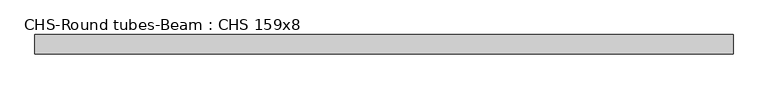
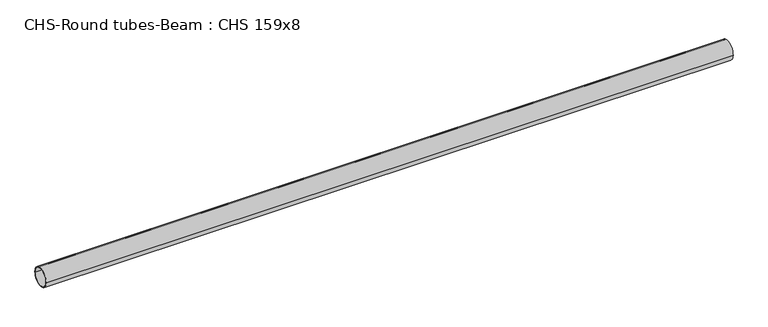
"""IFC4 building model written with IfcOpenShell, lengths in millimetres: beam geometry, CHS-Round tubes-Beam : CHS 159x8."""

import ifcopenshell
import ifcopenshell.guid

model = None  # the IFC model being written
_history = None  # IfcOwnerHistory: only IFC2X3 demands one
_inside = {}  # id of a spatial element -> (the spatial element, [elements in it])
_under = {}  # id of a project, library or spatial element -> (it, [spatial elements below it])
_declared = {}  # id of a project -> (the project, [libraries it declares])
_typed = {}  # id of a type object -> (the type object, [elements of that type])
_made_of = {}  # id of a material, layer set ... -> (it, [elements and type objects made of it])


def new_model(schema):
    """Start an empty IFC model of exactly this schema.

    Asked for "IFC4X3", IfcOpenShell would pick the latest addendum, in which some entities
    have other attributes; the version numbers below select the first issue.
    IFC2X3 requires an IfcOwnerHistory on every rooted entity: one is made here for all.
    """
    global model, _history
    if schema == "IFC4X3":
        model = ifcopenshell.file(schema_version=(4, 3, 0, 0))
    else:
        model = ifcopenshell.file(schema=schema)
    _inside.clear()
    _under.clear()
    _declared.clear()
    _typed.clear()
    _made_of.clear()
    _history = None
    if model.schema == "IFC2X3":
        org = make("IfcOrganization", Name="unknown")
        user = make(
            "IfcPersonAndOrganization",
            ThePerson=make("IfcPerson", FamilyName="unknown"),
            TheOrganization=org,
        )
        app = make(
            "IfcApplication",
            ApplicationDeveloper=org,
            Version="unknown",
            ApplicationFullName="unknown",
            ApplicationIdentifier="unknown",
        )
        _history = make(
            "IfcOwnerHistory",
            OwningUser=user,
            OwningApplication=app,
            ChangeAction="ADDED",
            CreationDate=0,
        )
    return model


def make(cls, **values):
    """One entity of the class cls with the attributes given. An attribute that is None is left unset."""
    return model.create_entity(
        cls, **{name: value for name, value in values.items() if value is not None}
    )


def rooted(cls, **values):
    """An entity with a GlobalId (a new one), such as an element, a storey or a relation."""
    return make(cls, GlobalId=ifcopenshell.guid.new(), OwnerHistory=_history, **values)


def si_unit(unit_type, name, prefix=None):
    """IfcSIUnit, for example si_unit("LENGTHUNIT", "METRE", prefix="MILLI")."""
    return make("IfcSIUnit", UnitType=unit_type, Prefix=prefix, Name=name)


def assignment(units):
    """IfcUnitAssignment: the units of a project."""
    return None if units is None else make("IfcUnitAssignment", Units=units)


def point(xyz):
    """IfcCartesianPoint."""
    return None if xyz is None else make("IfcCartesianPoint", Coordinates=xyz)


def direction(xyz):
    """IfcDirection."""
    return None if xyz is None else make("IfcDirection", DirectionRatios=xyz)


def frame(location, z_axis=None, x_axis=None):
    """IfcAxis2Placement3D, a coordinate frame: its origin and axes. An axis left out is left unset."""
    return make(
        "IfcAxis2Placement3D",
        Location=point(location),
        Axis=direction(z_axis),
        RefDirection=direction(x_axis),
    )


def frame_2d(location, x_axis=None):
    """IfcAxis2Placement2D, a coordinate frame in the plane: its origin and x axis."""
    return make(
        "IfcAxis2Placement2D", Location=point(location), RefDirection=direction(x_axis)
    )


def origin():
    """The frame at (0, 0, 0) with its axes left unset."""
    return frame((0.0, 0.0, 0.0))


def origin_2d():
    """The frame at (0, 0) in the plane with its x axis left unset."""
    return frame_2d((0.0, 0.0))


def place(relative_to, where):
    """IfcLocalPlacement: puts the frame where relative to a parent placement (None: the world)."""
    return make(
        "IfcLocalPlacement", PlacementRelTo=relative_to, RelativePlacement=where
    )


def context(
    kind, dimensions, precision=None, world=None, true_north=None, identifier=None
):
    """IfcGeometricRepresentationContext, for example the 3D "Model" context."""
    return make(
        "IfcGeometricRepresentationContext",
        ContextIdentifier=identifier,
        ContextType=kind,
        CoordinateSpaceDimension=dimensions,
        Precision=precision,
        WorldCoordinateSystem=world,
        TrueNorth=true_north,
    )


def project(units=None, contexts=None):
    """IfcProject with its units and contexts."""
    return rooted(
        "IfcProject",
        Name="project",
        RepresentationContexts=contexts,
        UnitsInContext=assignment(units),
    )


def spatial(cls, under=None, at=None, **own):
    """A site, building, storey or space (cls), placed at a placement, below another one or the project."""
    s = rooted(cls, ObjectPlacement=at, **own)
    if under is not None:
        _under.setdefault(under.id(), (under, []))[1].append(s)
    return s


def circle_curve(where, radius):
    """IfcCircle in the frame where."""
    return make("IfcCircle", Position=where, Radius=radius)


def trimmed(basis, trim1, trim2, sense, master):
    """IfcTrimmedCurve: the piece of a basis curve between two trims."""
    return make(
        "IfcTrimmedCurve",
        BasisCurve=basis,
        Trim1=trim1,
        Trim2=trim2,
        SenseAgreement=sense,
        MasterRepresentation=master,
    )


def segment(curve, same_sense, transition):
    """IfcCompositeCurveSegment."""
    return make(
        "IfcCompositeCurveSegment",
        Transition=transition,
        SameSense=same_sense,
        ParentCurve=curve,
    )


def composite_curve(segments, self_intersect=None):
    """IfcCompositeCurve: segments joined end to end."""
    return make("IfcCompositeCurve", Segments=segments, SelfIntersect=self_intersect)


def outline(outer, holes=None, kind="AREA"):
    """IfcArbitraryClosedProfileDef: a profile drawn as a closed curve; with holes, ...WithVoids."""
    if holes is None:
        return make("IfcArbitraryClosedProfileDef", ProfileType=kind, OuterCurve=outer)
    return make(
        "IfcArbitraryProfileDefWithVoids",
        ProfileType=kind,
        OuterCurve=outer,
        InnerCurves=holes,
    )


def extrude(swept, where, along, depth):
    """IfcExtrudedAreaSolid: the profile swept, set in the frame where, extruded along a direction by depth."""
    return make(
        "IfcExtrudedAreaSolid",
        SweptArea=swept,
        Position=where,
        ExtrudedDirection=direction(along),
        Depth=depth,
    )


def shape(context_of_items, identifier, shape_type, items):
    """IfcShapeRepresentation: the items that make up one representation, for example the "Body"."""
    return make(
        "IfcShapeRepresentation",
        ContextOfItems=context_of_items,
        RepresentationIdentifier=identifier,
        RepresentationType=shape_type,
        Items=items,
    )


def source(mapping_origin, context_of_items, identifier, shape_type, items):
    """IfcRepresentationMap: a shape defined once, which mapped items show again and again."""
    return make(
        "IfcRepresentationMap",
        MappingOrigin=mapping_origin,
        MappedRepresentation=shape(context_of_items, identifier, shape_type, items),
    )


def transform(
    local_origin,
    x_axis=None,
    y_axis=None,
    z_axis=None,
    scale=None,
    scale2=None,
    scale3=None,
    uniform=True,
):
    """IfcCartesianTransformationOperator3D, or its non-uniform kind. x_axis, y_axis, z_axis: its Axis1, 2, 3."""
    if uniform:
        return make(
            "IfcCartesianTransformationOperator3D",
            Axis1=direction(x_axis),
            Axis2=direction(y_axis),
            LocalOrigin=point(local_origin),
            Scale=scale,
            Axis3=direction(z_axis),
        )
    return make(
        "IfcCartesianTransformationOperator3DnonUniform",
        Axis1=direction(x_axis),
        Axis2=direction(y_axis),
        LocalOrigin=point(local_origin),
        Scale=scale,
        Axis3=direction(z_axis),
        Scale2=scale2,
        Scale3=scale3,
    )


def mapped(mapping_source, mapping_target):
    """IfcMappedItem: shows the shape of a source again, moved by a transform."""
    return make(
        "IfcMappedItem", MappingSource=mapping_source, MappingTarget=mapping_target
    )


def made_of(thing, what):
    """Note that an element or type object is made of a material, layer set ...; save() writes the relation."""
    if what is not None:
        _made_of.setdefault(what.id(), (what, []))[1].append(thing)
    return thing


def element(
    cls,
    number,
    at=None,
    inside=None,
    cuts=None,
    type_object=None,
    material=None,
    context=None,
    identifier="Body",
    shape_type=None,
    held_by="IfcProductDefinitionShape",
    body=None,
    shapes=None,
    **own,
):
    """One element of the class cls, such as IfcWall. Its Tag is "e" and its number.

    at: its placement. inside: the storey or other place that contains it. cuts: it is an
    opening in that element (IfcRelVoidsElement). A single representation is given by context,
    identifier, shape_type and body (its items); several are given by shapes. held_by: the class
    of the entity that holds the representations. save() writes the other relations.
    """
    e = rooted(cls, Tag="e%d" % number, ObjectPlacement=at, **own)
    if body is not None:
        shapes = [shape(context, identifier, shape_type, body)]
    if shapes is not None:
        e.Representation = make(held_by, Representations=shapes)
    if inside is not None:
        _inside.setdefault(inside.id(), (inside, []))[1].append(e)
    if cuts is not None:
        rooted(
            "IfcRelVoidsElement", RelatingBuildingElement=cuts, RelatedOpeningElement=e
        )
    if type_object is not None:
        _typed.setdefault(type_object.id(), (type_object, []))[1].append(e)
    return made_of(e, material)


def aggregate(whole, parts):
    """IfcRelAggregates: a whole, such as a stair, and the parts it consists of."""
    return rooted("IfcRelAggregates", RelatingObject=whole, RelatedObjects=parts)


def save(model, path):
    """Write the relations noted so far, then the file.

    IfcRelAggregates (storeys below a building ...), IfcRelContainedInSpatialStructure (elements
    in a storey), IfcRelDefinesByType, IfcRelAssociatesMaterial and IfcRelDeclares: one each for
    every whole, place, type object, material and project.
    """
    for whole, parts in _under.values():
        aggregate(whole, parts)
    for where, things in _inside.values():
        rooted(
            "IfcRelContainedInSpatialStructure",
            RelatedElements=things,
            RelatingStructure=where,
        )
    for kind, things in _typed.values():
        rooted("IfcRelDefinesByType", RelatedObjects=things, RelatingType=kind)
    for what, things in _made_of.values():
        rooted("IfcRelAssociatesMaterial", RelatedObjects=things, RelatingMaterial=what)
    for by, libraries in _declared.values():
        rooted("IfcRelDeclares", RelatingContext=by, RelatedDefinitions=libraries)
    model.write(path)


def chs_round_tubes_beam_chs_159x8_7d2ca12b(model_context):
    return source(origin(), model_context, "Body", "SweptSolid", [
        extrude(outline(composite_curve([segment(trimmed(circle_curve(origin_2d(), 79.5), [point((79.5, 0.0))], [point((-79.5, 0.0))], False, "CARTESIAN"), True, "CONTINUOUS"), segment(trimmed(circle_curve(origin_2d(), 79.5), [point((-79.5, 0.0))], [point((79.5, 0.0))], False, "CARTESIAN"), True, "CONTINUOUS")], self_intersect=False), holes=[composite_curve([segment(trimmed(circle_curve(origin_2d(), 71.5), [point((71.5, 0.0))], [point((-71.5, 0.0))], True, "CARTESIAN"), True, "CONTINUOUS"), segment(trimmed(circle_curve(origin_2d(), 71.5), [point((-71.5, 0.0))], [point((71.5, 0.0))], True, "CARTESIAN"), True, "CONTINUOUS")], self_intersect=False)]), frame((-2833.6379738, 0.0, 0.0), z_axis=(1.0, 0.0, 0.0), x_axis=(0.0, 1.0, 0.0)), (0.0, 0.0, 1.0), 5671.4637611),
    ])


if __name__ == "__main__":
    model = new_model("IFC4")
    model_context = context("Model", 3, world=origin())
    ifc_project = project(units=[si_unit("LENGTHUNIT", "METRE", prefix="MILLI")], contexts=[model_context])
    site = spatial("IfcSite", under=ifc_project)
    building = spatial("IfcBuilding", under=site)
    placement = place(None, origin())
    chs_round_tubes_beam_chs_159x8_shape = chs_round_tubes_beam_chs_159x8_7d2ca12b(model_context)
    element("IfcBeam", 1, ObjectType="CHS-Round tubes-Beam : CHS 159x8", at=placement, inside=building, context=model_context, shape_type="MappedRepresentation", body=[
        mapped(chs_round_tubes_beam_chs_159x8_shape, transform((0.0, 0.0, 0.0), x_axis=(1.0, 0.0, 0.0), y_axis=(0.0, 1.0, 0.0), z_axis=(0.0, 0.0, 1.0))),
    ])
    save(model, "model.ifc")
